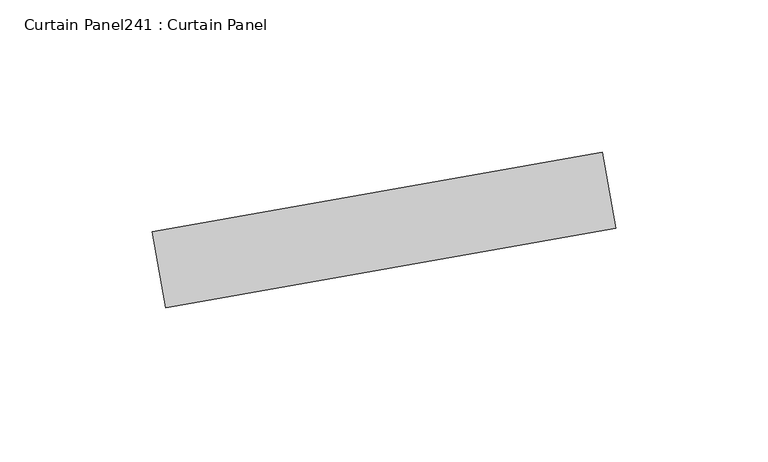
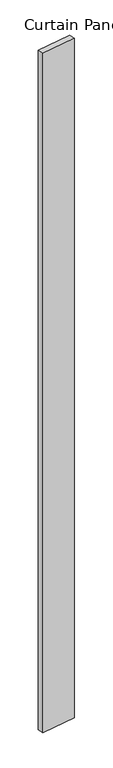
"""IFC4 building model written with IfcOpenShell, lengths in millimetres: plate geometry, Curtain Panel241 : Curtain Panel."""

import ifcopenshell
import ifcopenshell.guid

model = None  # the IFC model being written
_history = None  # IfcOwnerHistory: only IFC2X3 demands one
_inside = {}  # id of a spatial element -> (the spatial element, [elements in it])
_under = {}  # id of a project, library or spatial element -> (it, [spatial elements below it])
_declared = {}  # id of a project -> (the project, [libraries it declares])
_typed = {}  # id of a type object -> (the type object, [elements of that type])
_made_of = {}  # id of a material, layer set ... -> (it, [elements and type objects made of it])


def new_model(schema):
    """Start an empty IFC model of exactly this schema.

    Asked for "IFC4X3", IfcOpenShell would pick the latest addendum, in which some entities
    have other attributes; the version numbers below select the first issue.
    IFC2X3 requires an IfcOwnerHistory on every rooted entity: one is made here for all.
    """
    global model, _history
    if schema == "IFC4X3":
        model = ifcopenshell.file(schema_version=(4, 3, 0, 0))
    else:
        model = ifcopenshell.file(schema=schema)
    _inside.clear()
    _under.clear()
    _declared.clear()
    _typed.clear()
    _made_of.clear()
    _history = None
    if model.schema == "IFC2X3":
        org = make("IfcOrganization", Name="unknown")
        user = make(
            "IfcPersonAndOrganization",
            ThePerson=make("IfcPerson", FamilyName="unknown"),
            TheOrganization=org,
        )
        app = make(
            "IfcApplication",
            ApplicationDeveloper=org,
            Version="unknown",
            ApplicationFullName="unknown",
            ApplicationIdentifier="unknown",
        )
        _history = make(
            "IfcOwnerHistory",
            OwningUser=user,
            OwningApplication=app,
            ChangeAction="ADDED",
            CreationDate=0,
        )
    return model


def make(cls, **values):
    """One entity of the class cls with the attributes given. An attribute that is None is left unset."""
    return model.create_entity(
        cls, **{name: value for name, value in values.items() if value is not None}
    )


def rooted(cls, **values):
    """An entity with a GlobalId (a new one), such as an element, a storey or a relation."""
    return make(cls, GlobalId=ifcopenshell.guid.new(), OwnerHistory=_history, **values)


def si_unit(unit_type, name, prefix=None):
    """IfcSIUnit, for example si_unit("LENGTHUNIT", "METRE", prefix="MILLI")."""
    return make("IfcSIUnit", UnitType=unit_type, Prefix=prefix, Name=name)


def assignment(units):
    """IfcUnitAssignment: the units of a project."""
    return None if units is None else make("IfcUnitAssignment", Units=units)


def point(xyz):
    """IfcCartesianPoint."""
    return None if xyz is None else make("IfcCartesianPoint", Coordinates=xyz)


def direction(xyz):
    """IfcDirection."""
    return None if xyz is None else make("IfcDirection", DirectionRatios=xyz)


def frame(location, z_axis=None, x_axis=None):
    """IfcAxis2Placement3D, a coordinate frame: its origin and axes. An axis left out is left unset."""
    return make(
        "IfcAxis2Placement3D",
        Location=point(location),
        Axis=direction(z_axis),
        RefDirection=direction(x_axis),
    )


def origin():
    """The frame at (0, 0, 0) with its axes left unset."""
    return frame((0.0, 0.0, 0.0))


def place(relative_to, where):
    """IfcLocalPlacement: puts the frame where relative to a parent placement (None: the world)."""
    return make(
        "IfcLocalPlacement", PlacementRelTo=relative_to, RelativePlacement=where
    )


def context(
    kind, dimensions, precision=None, world=None, true_north=None, identifier=None
):
    """IfcGeometricRepresentationContext, for example the 3D "Model" context."""
    return make(
        "IfcGeometricRepresentationContext",
        ContextIdentifier=identifier,
        ContextType=kind,
        CoordinateSpaceDimension=dimensions,
        Precision=precision,
        WorldCoordinateSystem=world,
        TrueNorth=true_north,
    )


def project(units=None, contexts=None):
    """IfcProject with its units and contexts."""
    return rooted(
        "IfcProject",
        Name="project",
        RepresentationContexts=contexts,
        UnitsInContext=assignment(units),
    )


def spatial(cls, under=None, at=None, **own):
    """A site, building, storey or space (cls), placed at a placement, below another one or the project."""
    s = rooted(cls, ObjectPlacement=at, **own)
    if under is not None:
        _under.setdefault(under.id(), (under, []))[1].append(s)
    return s


def polyline(points):
    """IfcPolyline through the points."""
    return make("IfcPolyline", Points=[point(p) for p in points])


def outline(outer, holes=None, kind="AREA"):
    """IfcArbitraryClosedProfileDef: a profile drawn as a closed curve; with holes, ...WithVoids."""
    if holes is None:
        return make("IfcArbitraryClosedProfileDef", ProfileType=kind, OuterCurve=outer)
    return make(
        "IfcArbitraryProfileDefWithVoids",
        ProfileType=kind,
        OuterCurve=outer,
        InnerCurves=holes,
    )


def extrude(swept, where, along, depth):
    """IfcExtrudedAreaSolid: the profile swept, set in the frame where, extruded along a direction by depth."""
    return make(
        "IfcExtrudedAreaSolid",
        SweptArea=swept,
        Position=where,
        ExtrudedDirection=direction(along),
        Depth=depth,
    )


def shape(context_of_items, identifier, shape_type, items):
    """IfcShapeRepresentation: the items that make up one representation, for example the "Body"."""
    return make(
        "IfcShapeRepresentation",
        ContextOfItems=context_of_items,
        RepresentationIdentifier=identifier,
        RepresentationType=shape_type,
        Items=items,
    )


def source(mapping_origin, context_of_items, identifier, shape_type, items):
    """IfcRepresentationMap: a shape defined once, which mapped items show again and again."""
    return make(
        "IfcRepresentationMap",
        MappingOrigin=mapping_origin,
        MappedRepresentation=shape(context_of_items, identifier, shape_type, items),
    )


def transform(
    local_origin,
    x_axis=None,
    y_axis=None,
    z_axis=None,
    scale=None,
    scale2=None,
    scale3=None,
    uniform=True,
):
    """IfcCartesianTransformationOperator3D, or its non-uniform kind. x_axis, y_axis, z_axis: its Axis1, 2, 3."""
    if uniform:
        return make(
            "IfcCartesianTransformationOperator3D",
            Axis1=direction(x_axis),
            Axis2=direction(y_axis),
            LocalOrigin=point(local_origin),
            Scale=scale,
            Axis3=direction(z_axis),
        )
    return make(
        "IfcCartesianTransformationOperator3DnonUniform",
        Axis1=direction(x_axis),
        Axis2=direction(y_axis),
        LocalOrigin=point(local_origin),
        Scale=scale,
        Axis3=direction(z_axis),
        Scale2=scale2,
        Scale3=scale3,
    )


def mapped(mapping_source, mapping_target):
    """IfcMappedItem: shows the shape of a source again, moved by a transform."""
    return make(
        "IfcMappedItem", MappingSource=mapping_source, MappingTarget=mapping_target
    )


def made_of(thing, what):
    """Note that an element or type object is made of a material, layer set ...; save() writes the relation."""
    if what is not None:
        _made_of.setdefault(what.id(), (what, []))[1].append(thing)
    return thing


def element(
    cls,
    number,
    at=None,
    inside=None,
    cuts=None,
    type_object=None,
    material=None,
    context=None,
    identifier="Body",
    shape_type=None,
    held_by="IfcProductDefinitionShape",
    body=None,
    shapes=None,
    **own,
):
    """One element of the class cls, such as IfcWall. Its Tag is "e" and its number.

    at: its placement. inside: the storey or other place that contains it. cuts: it is an
    opening in that element (IfcRelVoidsElement). A single representation is given by context,
    identifier, shape_type and body (its items); several are given by shapes. held_by: the class
    of the entity that holds the representations. save() writes the other relations.
    """
    e = rooted(cls, Tag="e%d" % number, ObjectPlacement=at, **own)
    if body is not None:
        shapes = [shape(context, identifier, shape_type, body)]
    if shapes is not None:
        e.Representation = make(held_by, Representations=shapes)
    if inside is not None:
        _inside.setdefault(inside.id(), (inside, []))[1].append(e)
    if cuts is not None:
        rooted(
            "IfcRelVoidsElement", RelatingBuildingElement=cuts, RelatedOpeningElement=e
        )
    if type_object is not None:
        _typed.setdefault(type_object.id(), (type_object, []))[1].append(e)
    return made_of(e, material)


def aggregate(whole, parts):
    """IfcRelAggregates: a whole, such as a stair, and the parts it consists of."""
    return rooted("IfcRelAggregates", RelatingObject=whole, RelatedObjects=parts)


def save(model, path):
    """Write the relations noted so far, then the file.

    IfcRelAggregates (storeys below a building ...), IfcRelContainedInSpatialStructure (elements
    in a storey), IfcRelDefinesByType, IfcRelAssociatesMaterial and IfcRelDeclares: one each for
    every whole, place, type object, material and project.
    """
    for whole, parts in _under.values():
        aggregate(whole, parts)
    for where, things in _inside.values():
        rooted(
            "IfcRelContainedInSpatialStructure",
            RelatedElements=things,
            RelatingStructure=where,
        )
    for kind, things in _typed.values():
        rooted("IfcRelDefinesByType", RelatedObjects=things, RelatingType=kind)
    for what, things in _made_of.values():
        rooted("IfcRelAssociatesMaterial", RelatedObjects=things, RelatingMaterial=what)
    for by, libraries in _declared.values():
        rooted("IfcRelDeclares", RelatingContext=by, RelatedDefinitions=libraries)
    model.write(path)


def curtain_panel241_curtain_panel_85c6f404(model_context):
    return source(origin(), model_context, "Body", "SweptSolid", [
        extrude(outline(polyline([(648469.0105801, 2107.0280998), (648616.7496127, 2133.0784774), (648621.1602764, 2108.0643605), (648473.4212438, 2082.0139829), (648469.0105801, 2107.0280998)])), frame((0.0, 0.0, 4959.7989371), z_axis=(0.0, 0.0, 1.0), x_axis=(1.0, 0.0, 0.0)), (0.0, 0.0, 1.0), 3048.0),
    ])


if __name__ == "__main__":
    model = new_model("IFC4")
    model_context = context("Model", 3, world=origin())
    ifc_project = project(units=[si_unit("LENGTHUNIT", "METRE", prefix="MILLI")], contexts=[model_context])
    site = spatial("IfcSite", under=ifc_project)
    building = spatial("IfcBuilding", under=site)
    placement = place(None, origin())
    curtain_panel241_curtain_panel_shape = curtain_panel241_curtain_panel_85c6f404(model_context)
    element("IfcPlate", 1, ObjectType="Curtain Panel241 : Curtain Panel", at=placement, inside=building, context=model_context, shape_type="MappedRepresentation", body=[
        mapped(curtain_panel241_curtain_panel_shape, transform((0.0, 0.0, 0.0), x_axis=(1.0, 0.0, 0.0), y_axis=(0.0, 1.0, 0.0), z_axis=(0.0, 0.0, 1.0))),
    ])
    save(model, "model.ifc")
